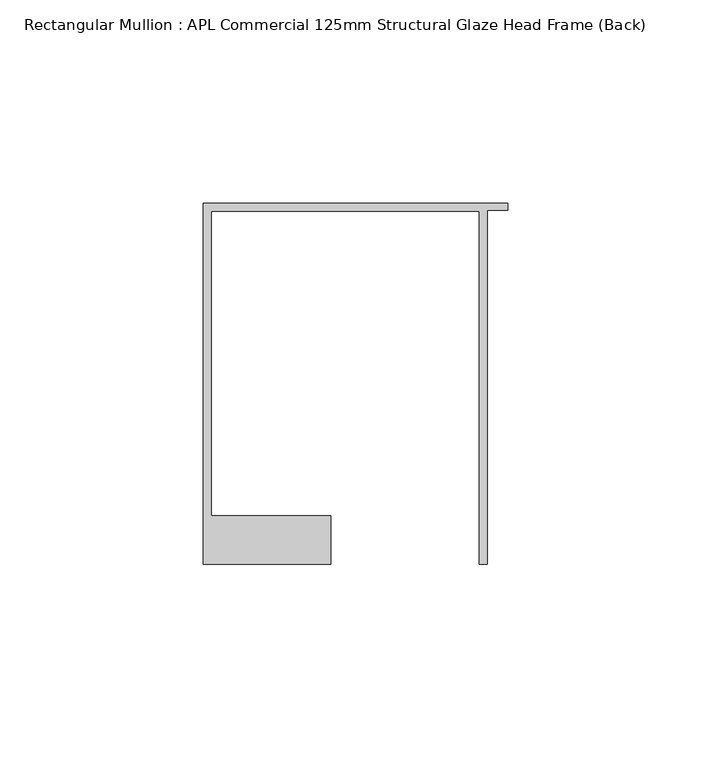
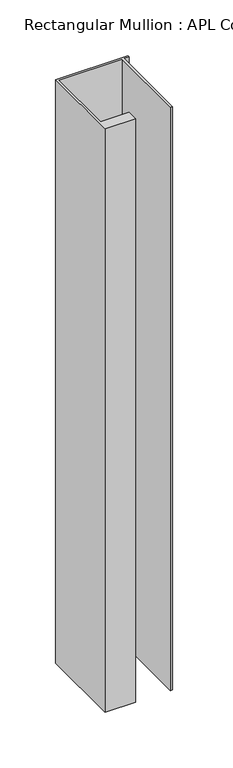
"""IFC4 building model written with IfcOpenShell, lengths in millimetres: member geometry, Rectangular Mullion : APL Commercial 125mm Structural Glaze Head Frame (Back)."""

from ifc_helpers import new_model, si_unit, frame, origin, place, context, project, spatial, polyline, outline, extrude, source, transform, mapped, element, save


def rectangular_mullion_apl_commercial_125mm_structural_glaze_42f98ae2(model_context):
    return source(origin(), model_context, "Body", "SweptSolid", [
        extrude(outline(polyline([(-75.0, 103.9993063), (0.0, 103.9993063), (0.0, 102.1993063), (-5.0, 102.1993063), (-5.0, 14.9998342), (-7.0, 14.9998342), (-7.0, 101.9993063), (-73.0, 101.9993063), (-73.0, 26.9997514), (-43.5000151, 26.9997514), (-43.5000151, 14.9998342), (-75.0, 14.9998342), (-75.0, 103.9993063)])), frame((0.0, 0.0, -638.9872059), z_axis=(0.0, 0.0, 1.0), x_axis=(1.0, 0.0, 0.0)), (0.0, 0.0, 1.0), 638.9872059),
    ])


if __name__ == "__main__":
    model = new_model("IFC4")
    model_context = context("Model", 3, world=origin())
    ifc_project = project(units=[si_unit("LENGTHUNIT", "METRE", prefix="MILLI")], contexts=[model_context])
    site = spatial("IfcSite", under=ifc_project)
    building = spatial("IfcBuilding", under=site)
    placement = place(None, origin())
    rectangular_mullion_apl_commercial_125mm_structural_glaze_shape = rectangular_mullion_apl_commercial_125mm_structural_glaze_42f98ae2(model_context)
    element("IfcMember", 1, ObjectType="Rectangular Mullion : APL Commercial 125mm Structural Glaze Head Frame (Back)", at=placement, inside=building, context=model_context, shape_type="MappedRepresentation", body=[
        mapped(rectangular_mullion_apl_commercial_125mm_structural_glaze_shape, transform((0.0, 0.0, 0.0), x_axis=(1.0, 0.0, 0.0), y_axis=(0.0, 1.0, 0.0), z_axis=(0.0, 0.0, 1.0))),
    ])
    save(model, "model.ifc")
